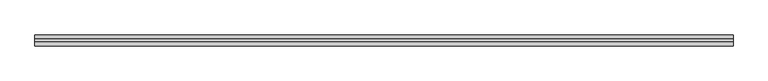
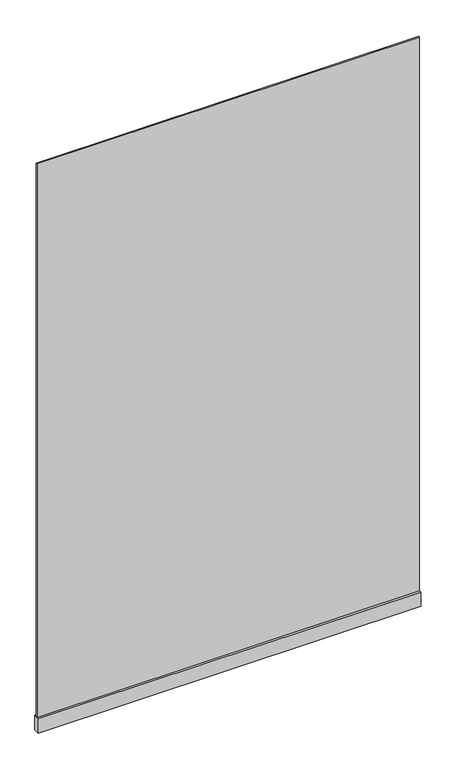
"""IFC4 building model written with IfcOpenShell, lengths in millimetres: plate geometry."""

import ifcopenshell
import ifcopenshell.guid

model = None  # the IFC model being written
_history = None  # IfcOwnerHistory: only IFC2X3 demands one
_inside = {}  # id of a spatial element -> (the spatial element, [elements in it])
_under = {}  # id of a project, library or spatial element -> (it, [spatial elements below it])
_declared = {}  # id of a project -> (the project, [libraries it declares])
_typed = {}  # id of a type object -> (the type object, [elements of that type])
_made_of = {}  # id of a material, layer set ... -> (it, [elements and type objects made of it])


def new_model(schema):
    """Start an empty IFC model of exactly this schema.

    Asked for "IFC4X3", IfcOpenShell would pick the latest addendum, in which some entities
    have other attributes; the version numbers below select the first issue.
    IFC2X3 requires an IfcOwnerHistory on every rooted entity: one is made here for all.
    """
    global model, _history
    if schema == "IFC4X3":
        model = ifcopenshell.file(schema_version=(4, 3, 0, 0))
    else:
        model = ifcopenshell.file(schema=schema)
    _inside.clear()
    _under.clear()
    _declared.clear()
    _typed.clear()
    _made_of.clear()
    _history = None
    if model.schema == "IFC2X3":
        org = make("IfcOrganization", Name="unknown")
        user = make(
            "IfcPersonAndOrganization",
            ThePerson=make("IfcPerson", FamilyName="unknown"),
            TheOrganization=org,
        )
        app = make(
            "IfcApplication",
            ApplicationDeveloper=org,
            Version="unknown",
            ApplicationFullName="unknown",
            ApplicationIdentifier="unknown",
        )
        _history = make(
            "IfcOwnerHistory",
            OwningUser=user,
            OwningApplication=app,
            ChangeAction="ADDED",
            CreationDate=0,
        )
    return model


def make(cls, **values):
    """One entity of the class cls with the attributes given. An attribute that is None is left unset."""
    return model.create_entity(
        cls, **{name: value for name, value in values.items() if value is not None}
    )


def rooted(cls, **values):
    """An entity with a GlobalId (a new one), such as an element, a storey or a relation."""
    return make(cls, GlobalId=ifcopenshell.guid.new(), OwnerHistory=_history, **values)


def si_unit(unit_type, name, prefix=None):
    """IfcSIUnit, for example si_unit("LENGTHUNIT", "METRE", prefix="MILLI")."""
    return make("IfcSIUnit", UnitType=unit_type, Prefix=prefix, Name=name)


def assignment(units):
    """IfcUnitAssignment: the units of a project."""
    return None if units is None else make("IfcUnitAssignment", Units=units)


def point(xyz):
    """IfcCartesianPoint."""
    return None if xyz is None else make("IfcCartesianPoint", Coordinates=xyz)


def direction(xyz):
    """IfcDirection."""
    return None if xyz is None else make("IfcDirection", DirectionRatios=xyz)


def frame(location, z_axis=None, x_axis=None):
    """IfcAxis2Placement3D, a coordinate frame: its origin and axes. An axis left out is left unset."""
    return make(
        "IfcAxis2Placement3D",
        Location=point(location),
        Axis=direction(z_axis),
        RefDirection=direction(x_axis),
    )


def origin():
    """The frame at (0, 0, 0) with its axes left unset."""
    return frame((0.0, 0.0, 0.0))


def origin_with_axes():
    """The frame at (0, 0, 0) with the z axis (0, 0, 1) and the x axis (1, 0, 0) written out."""
    return frame((0.0, 0.0, 0.0), z_axis=(0.0, 0.0, 1.0), x_axis=(1.0, 0.0, 0.0))


def place(relative_to, where):
    """IfcLocalPlacement: puts the frame where relative to a parent placement (None: the world)."""
    return make(
        "IfcLocalPlacement", PlacementRelTo=relative_to, RelativePlacement=where
    )


def context(
    kind, dimensions, precision=None, world=None, true_north=None, identifier=None
):
    """IfcGeometricRepresentationContext, for example the 3D "Model" context."""
    return make(
        "IfcGeometricRepresentationContext",
        ContextIdentifier=identifier,
        ContextType=kind,
        CoordinateSpaceDimension=dimensions,
        Precision=precision,
        WorldCoordinateSystem=world,
        TrueNorth=true_north,
    )


def project(units=None, contexts=None):
    """IfcProject with its units and contexts."""
    return rooted(
        "IfcProject",
        Name="project",
        RepresentationContexts=contexts,
        UnitsInContext=assignment(units),
    )


def spatial(cls, under=None, at=None, **own):
    """A site, building, storey or space (cls), placed at a placement, below another one or the project."""
    s = rooted(cls, ObjectPlacement=at, **own)
    if under is not None:
        _under.setdefault(under.id(), (under, []))[1].append(s)
    return s


def polyline(points):
    """IfcPolyline through the points."""
    return make("IfcPolyline", Points=[point(p) for p in points])


def outline(outer, holes=None, kind="AREA"):
    """IfcArbitraryClosedProfileDef: a profile drawn as a closed curve; with holes, ...WithVoids."""
    if holes is None:
        return make("IfcArbitraryClosedProfileDef", ProfileType=kind, OuterCurve=outer)
    return make(
        "IfcArbitraryProfileDefWithVoids",
        ProfileType=kind,
        OuterCurve=outer,
        InnerCurves=holes,
    )


def extrude(swept, where, along, depth):
    """IfcExtrudedAreaSolid: the profile swept, set in the frame where, extruded along a direction by depth."""
    return make(
        "IfcExtrudedAreaSolid",
        SweptArea=swept,
        Position=where,
        ExtrudedDirection=direction(along),
        Depth=depth,
    )


def shape(context_of_items, identifier, shape_type, items):
    """IfcShapeRepresentation: the items that make up one representation, for example the "Body"."""
    return make(
        "IfcShapeRepresentation",
        ContextOfItems=context_of_items,
        RepresentationIdentifier=identifier,
        RepresentationType=shape_type,
        Items=items,
    )


def source(mapping_origin, context_of_items, identifier, shape_type, items):
    """IfcRepresentationMap: a shape defined once, which mapped items show again and again."""
    return make(
        "IfcRepresentationMap",
        MappingOrigin=mapping_origin,
        MappedRepresentation=shape(context_of_items, identifier, shape_type, items),
    )


def transform(
    local_origin,
    x_axis=None,
    y_axis=None,
    z_axis=None,
    scale=None,
    scale2=None,
    scale3=None,
    uniform=True,
):
    """IfcCartesianTransformationOperator3D, or its non-uniform kind. x_axis, y_axis, z_axis: its Axis1, 2, 3."""
    if uniform:
        return make(
            "IfcCartesianTransformationOperator3D",
            Axis1=direction(x_axis),
            Axis2=direction(y_axis),
            LocalOrigin=point(local_origin),
            Scale=scale,
            Axis3=direction(z_axis),
        )
    return make(
        "IfcCartesianTransformationOperator3DnonUniform",
        Axis1=direction(x_axis),
        Axis2=direction(y_axis),
        LocalOrigin=point(local_origin),
        Scale=scale,
        Axis3=direction(z_axis),
        Scale2=scale2,
        Scale3=scale3,
    )


def mapped(mapping_source, mapping_target):
    """IfcMappedItem: shows the shape of a source again, moved by a transform."""
    return make(
        "IfcMappedItem", MappingSource=mapping_source, MappingTarget=mapping_target
    )


def made_of(thing, what):
    """Note that an element or type object is made of a material, layer set ...; save() writes the relation."""
    if what is not None:
        _made_of.setdefault(what.id(), (what, []))[1].append(thing)
    return thing


def element(
    cls,
    number,
    at=None,
    inside=None,
    cuts=None,
    type_object=None,
    material=None,
    context=None,
    identifier="Body",
    shape_type=None,
    held_by="IfcProductDefinitionShape",
    body=None,
    shapes=None,
    **own,
):
    """One element of the class cls, such as IfcWall. Its Tag is "e" and its number.

    at: its placement. inside: the storey or other place that contains it. cuts: it is an
    opening in that element (IfcRelVoidsElement). A single representation is given by context,
    identifier, shape_type and body (its items); several are given by shapes. held_by: the class
    of the entity that holds the representations. save() writes the other relations.
    """
    e = rooted(cls, Tag="e%d" % number, ObjectPlacement=at, **own)
    if body is not None:
        shapes = [shape(context, identifier, shape_type, body)]
    if shapes is not None:
        e.Representation = make(held_by, Representations=shapes)
    if inside is not None:
        _inside.setdefault(inside.id(), (inside, []))[1].append(e)
    if cuts is not None:
        rooted(
            "IfcRelVoidsElement", RelatingBuildingElement=cuts, RelatedOpeningElement=e
        )
    if type_object is not None:
        _typed.setdefault(type_object.id(), (type_object, []))[1].append(e)
    return made_of(e, material)


def aggregate(whole, parts):
    """IfcRelAggregates: a whole, such as a stair, and the parts it consists of."""
    return rooted("IfcRelAggregates", RelatingObject=whole, RelatedObjects=parts)


def save(model, path):
    """Write the relations noted so far, then the file.

    IfcRelAggregates (storeys below a building ...), IfcRelContainedInSpatialStructure (elements
    in a storey), IfcRelDefinesByType, IfcRelAssociatesMaterial and IfcRelDeclares: one each for
    every whole, place, type object, material and project.
    """
    for whole, parts in _under.values():
        aggregate(whole, parts)
    for where, things in _inside.values():
        rooted(
            "IfcRelContainedInSpatialStructure",
            RelatedElements=things,
            RelatingStructure=where,
        )
    for kind, things in _typed.values():
        rooted("IfcRelDefinesByType", RelatedObjects=things, RelatingType=kind)
    for what, things in _made_of.values():
        rooted("IfcRelAssociatesMaterial", RelatedObjects=things, RelatingMaterial=what)
    for by, libraries in _declared.values():
        rooted("IfcRelDeclares", RelatingContext=by, RelatedDefinitions=libraries)
    model.write(path)


def plate_c3b39e59(model_context):
    return source(origin(), model_context, "Body", "SweptSolid", [
        extrude(outline(polyline([(-1267.5, 5.0), (1267.5, 5.0), (1267.5, -5.0), (-1267.5, -5.0), (-1267.5, 5.0)])), frame((0.0, 0.0, 100.0), z_axis=(0.0, 0.0, 1.0), x_axis=(1.0, 0.0, 0.0)), (0.0, 0.0, 1.0), 3875.0),
        extrude(outline(polyline([(-1267.5, 20.0), (1267.5, 20.0), (1267.5, -20.0), (-1267.5, -20.0), (-1267.5, 20.0)])), origin_with_axes(), (0.0, 0.0, 1.0), 100.0),
    ])


if __name__ == "__main__":
    model = new_model("IFC4")
    model_context = context("Model", 3, world=origin())
    ifc_project = project(units=[si_unit("LENGTHUNIT", "METRE", prefix="MILLI")], contexts=[model_context])
    site = spatial("IfcSite", under=ifc_project)
    building = spatial("IfcBuilding", under=site)
    placement = place(None, origin())
    plate_shape = plate_c3b39e59(model_context)
    element("IfcPlate", 1, at=placement, inside=building, context=model_context, shape_type="MappedRepresentation", body=[
        mapped(plate_shape, transform((0.0, 0.0, 0.0), x_axis=(1.0, 0.0, 0.0), y_axis=(0.0, 1.0, 0.0), z_axis=(0.0, 0.0, 1.0))),
    ])
    save(model, "model.ifc")
